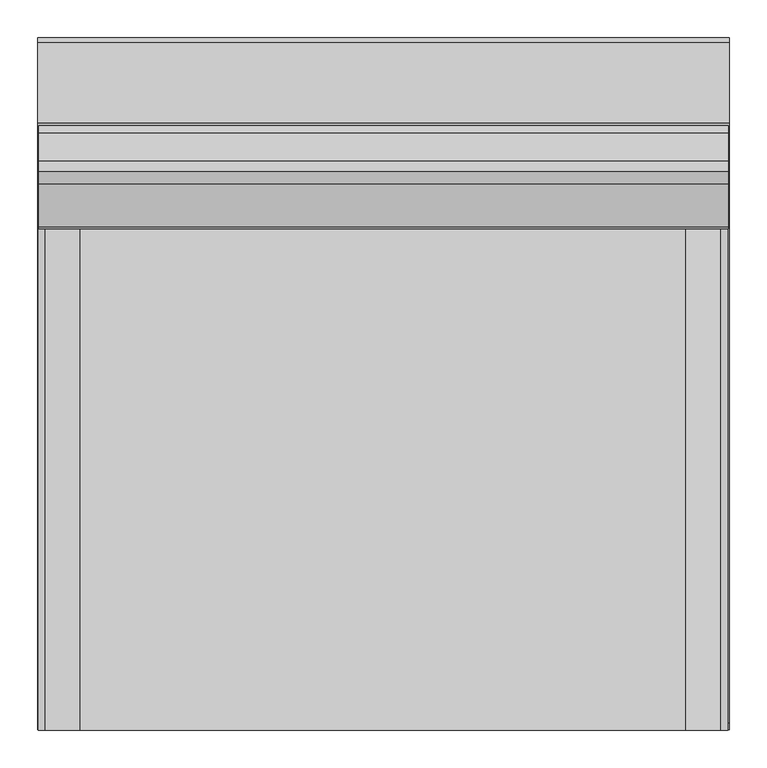
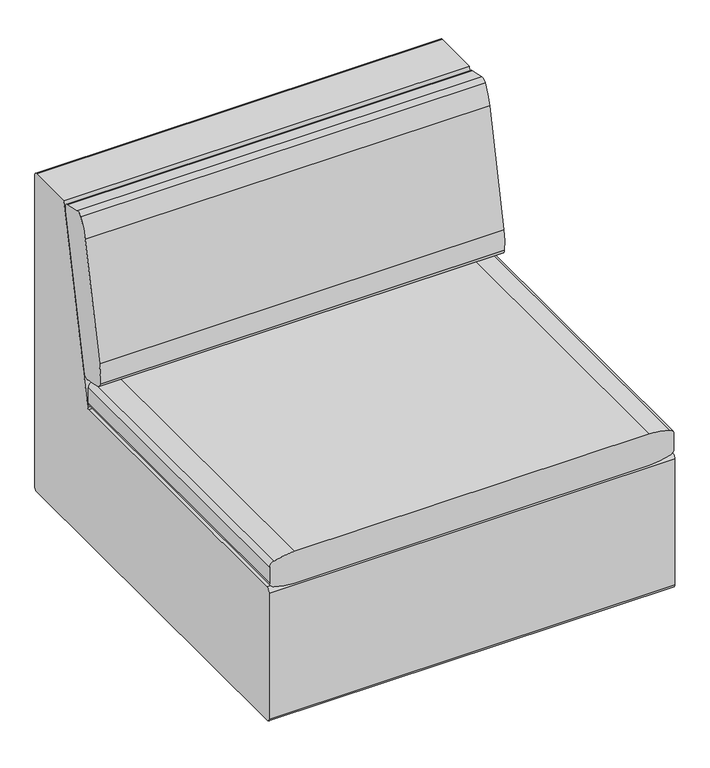
"""IFC4 building model written with IfcOpenShell, lengths in millimetres: furniture geometry."""

from ifc_helpers import new_model, si_unit, point, frame, frame_2d, origin, origin_with_axes, place, context, project, spatial, polyline, circle_curve, trimmed, segment, composite_curve, outline, extrude, source, transform, mapped, element, save


def furniture_2e323e89(model_context):
    return source(origin(), model_context, "Body", "SweptSolid", [
        extrude(outline(composite_curve([segment(polyline([(235.2914577, 417.0346741), (216.287808, 421.1108049)]), True, "CONTINUOUS"), segment(trimmed(circle_curve(frame_2d((218.8946679, 433.264451)), 12.4300777), [point((216.287808, 421.1108049))], [point((206.5294553, 431.9962448))], False, "CARTESIAN"), True, "CONTINUOUS"), segment(trimmed(circle_curve(frame_2d((358.1341723, 447.5451926)), 152.4), [point((206.5294553, 431.9962448))], [point((209.0842447, 479.3237873))], False, "CARTESIAN"), True, "CONTINUOUS"), segment(polyline([(209.0842447, 479.3237873), (265.3910933, 743.4176466)]), True, "CONTINUOUS"), segment(trimmed(circle_curve(frame_2d((414.4410209, 711.6390519)), 152.4), [point((265.3910933, 743.4176466))], [point((282.6105352, 788.10135))], False, "CARTESIAN"), True, "CONTINUOUS"), segment(trimmed(circle_curve(frame_2d((293.3629182, 781.8649176)), 12.4300777), [point((282.6105352, 788.10135))], [point((295.9472763, 794.0233683))], False, "CARTESIAN"), True, "CONTINUOUS"), segment(polyline([(295.9472763, 794.0233683), (333.2147001, 786.1019342)]), True, "CONTINUOUS"), segment(trimmed(circle_curve(frame_2d((330.6303421, 773.9434834)), 12.4300777), [point((333.2147001, 786.1019342))], [point((342.9897183, 775.2673607))], False, "CARTESIAN"), True, "CONTINUOUS"), segment(trimmed(circle_curve(frame_2d((191.4565596, 759.0358541)), 152.4), [point((342.9897183, 775.2673607))], [point((340.545965, 727.4429882))], False, "CARTESIAN"), True, "CONTINUOUS"), segment(polyline([(340.545965, 727.4429882), (284.5681996, 463.2791802)]), True, "CONTINUOUS"), segment(trimmed(circle_curve(frame_2d((135.4787942, 494.8720461)), 152.4), [point((284.5681996, 463.2791802))], [point((267.6522732, 419.004191))], False, "CARTESIAN"), True, "CONTINUOUS"), segment(trimmed(circle_curve(frame_2d((256.8719149, 425.1921394)), 12.4300777), [point((267.6522732, 419.004191))], [point((254.3100675, 413.0289256))], False, "CARTESIAN"), True, "CONTINUOUS"), segment(polyline([(254.3100675, 413.0289256), (235.2914577, 417.0346741)]), True, "CONTINUOUS")], self_intersect=False)), frame((-230.1054732, 0.0, 0.0), z_axis=(1.0, 0.0, 0.0), x_axis=(0.0, 1.0, 0.0)), (0.0, 0.0, 1.0), 917.5750242),
        extrude(outline(composite_curve([segment(trimmed(circle_curve(frame_2d((396.746479, 673.8407713)), 12.7), [point((396.746479, 686.5407713))], [point((408.8813122, 677.5872129))], False, "CARTESIAN"), True, "CONTINUOUS"), segment(trimmed(circle_curve(frame_2d((238.9936482, 625.1370305)), 177.8), [point((408.8813122, 677.5872129))], [point((416.7016841, 630.8548962))], False, "CARTESIAN"), True, "CONTINUOUS"), segment(trimmed(circle_curve(frame_2d((-12112.5507476, 227.7184641)), 12535.7363358), [point((416.7016841, 630.8548962))], [point((416.7016841, -175.4179681))], False, "CARTESIAN"), True, "CONTINUOUS"), segment(trimmed(circle_curve(frame_2d((238.9936482, -169.7001023)), 177.8), [point((416.7016841, -175.4179681))], [point((408.8813122, -222.1502848))], False, "CARTESIAN"), True, "CONTINUOUS"), segment(trimmed(circle_curve(frame_2d((396.746479, -218.4038432)), 12.7), [point((408.8813122, -222.1502848))], [point((396.746479, -231.1038432))], False, "CARTESIAN"), True, "CONTINUOUS"), segment(polyline([(396.746479, -231.1038432), (360.2975302, -231.1038432)]), True, "CONTINUOUS"), segment(trimmed(circle_curve(frame_2d((360.2975302, -218.4038432)), 12.7), [point((360.2975302, -231.1038432))], [point((348.1626971, -222.1502848))], False, "CARTESIAN"), True, "CONTINUOUS"), segment(trimmed(circle_curve(frame_2d((518.050361, -169.7001023)), 177.8), [point((348.1626971, -222.1502848))], [point((340.3423252, -175.4179681))], False, "CARTESIAN"), True, "CONTINUOUS"), segment(trimmed(circle_curve(frame_2d((12869.5947568, 227.7184641)), 12535.7363358), [point((340.3423252, -175.4179681))], [point((340.3423252, 630.8548962))], False, "CARTESIAN"), True, "CONTINUOUS"), segment(trimmed(circle_curve(frame_2d((518.050361, 625.1370305)), 177.8), [point((340.3423252, 630.8548962))], [point((348.1626971, 677.5872129))], False, "CARTESIAN"), True, "CONTINUOUS"), segment(trimmed(circle_curve(frame_2d((360.2975302, 673.8407713)), 12.7), [point((348.1626971, 677.5872129))], [point((360.2975302, 686.5407713))], False, "CARTESIAN"), True, "CONTINUOUS"), segment(polyline([(360.2975302, 686.5407713), (396.746479, 686.5407713)]), True, "CONTINUOUS")], self_intersect=False)), frame((0.0, -460.9236442, 0.0), z_axis=(0.0, 1.0, 0.0), x_axis=(0.0, 0.0, 1.0)), (0.0, 0.0, 1.0), 711.99375),
        extrude(outline(polyline([(-23.0187591, -308.2493524), (-19.8437349, -311.4243494), (-19.8437349, -355.8743524), (-23.0187591, -359.0493494), (-67.4687349, -359.0493494), (-70.6437591, -355.8743524), (-70.6437591, -311.4243494), (-67.4687349, -308.2493524), (-23.0187591, -308.2493524)])), frame((0.0, 0.0, 3.1750001), z_axis=(0.0, 0.0, 1.0), x_axis=(1.0, 0.0, 0.0)), (0.0, 0.0, 1.0), 22.2250007),
        extrude(outline(polyline([(-19.8437349, -305.0743463), (-16.668747, -308.2493524), (-16.668747, -359.0493494), (-19.8437349, -362.2243554), (-70.6437591, -362.2243554), (-73.818747, -359.0493494), (-73.818747, -308.2493524), (-70.6437591, -305.0743463), (-19.8437349, -305.0743463)])), origin_with_axes(), (0.0, 0.0, 1.0), 3.1750001),
        extrude(outline(polyline([(-23.0187591, 358.5006749), (-19.8437349, 355.3256779), (-19.8437349, 310.8756749), (-23.0187591, 307.7006779), (-67.4687349, 307.7006779), (-70.6437591, 310.8756749), (-70.6437591, 355.3256779), (-67.4687349, 358.5006749), (-23.0187591, 358.5006749)])), frame((0.0, 0.0, 3.1750001), z_axis=(0.0, 0.0, 1.0), x_axis=(1.0, 0.0, 0.0)), (0.0, 0.0, 1.0), 22.2250007),
        extrude(outline(polyline([(-19.8437349, 361.6756809), (-16.668747, 358.5006749), (-16.668747, 307.7006779), (-19.8437349, 304.5256718), (-70.6437591, 304.5256718), (-73.818747, 307.7006779), (-73.818747, 358.5006749), (-70.6437591, 361.6756809), (-19.8437349, 361.6756809)])), origin_with_axes(), (0.0, 0.0, 1.0), 3.1750001),
        extrude(outline(polyline([(611.9812258, -308.2493524), (615.15625, -311.4243494), (615.15625, -355.8743524), (611.9812258, -359.0493494), (567.53125, -359.0493494), (564.3562258, -355.8743524), (564.3562258, -311.4243494), (567.53125, -308.2493524), (611.9812258, -308.2493524)])), frame((0.0, 0.0, 3.1750001), z_axis=(0.0, 0.0, 1.0), x_axis=(1.0, 0.0, 0.0)), (0.0, 0.0, 1.0), 22.2250007),
        extrude(outline(polyline([(615.15625, -305.0743463), (618.3312379, -308.2493524), (618.3312379, -359.0493494), (615.15625, -362.2243554), (564.3562258, -362.2243554), (561.1812379, -359.0493494), (561.1812379, -308.2493524), (564.3562258, -305.0743463), (615.15625, -305.0743463)])), origin_with_axes(), (0.0, 0.0, 1.0), 3.1750001),
        extrude(outline(polyline([(611.9812258, 358.5006749), (615.15625, 355.3256779), (615.15625, 310.8756749), (611.9812258, 307.7006779), (567.53125, 307.7006779), (564.3562258, 310.8756749), (564.3562258, 355.3256779), (567.53125, 358.5006749), (611.9812258, 358.5006749)])), frame((0.0, 0.0, 3.1750001), z_axis=(0.0, 0.0, 1.0), x_axis=(1.0, 0.0, 0.0)), (0.0, 0.0, 1.0), 22.2250007),
        extrude(outline(polyline([(615.15625, 361.6756809), (618.3312379, 358.5006749), (618.3312379, 307.7006779), (615.15625, 304.5256718), (564.3562258, 304.5256718), (561.1812379, 307.7006779), (561.1812379, 358.5006749), (564.3562258, 361.6756809), (615.15625, 361.6756809)])), origin_with_axes(), (0.0, 0.0, 1.0), 3.1750001),
        extrude(outline(composite_curve([segment(trimmed(circle_curve(frame_2d((248.4922796, 349.8935536)), 4.8013546), [point((248.4922796, 345.092199))], [point((253.1864451, 348.8846847))], True, "CARTESIAN"), True, "CONTINUOUS"), segment(polyline([(253.1864451, 348.8846847), (347.432053, 787.4), (454.025, 787.4)]), True, "CONTINUOUS"), segment(trimmed(circle_curve(frame_2d((454.025, 781.05)), 6.35), [point((454.025, 787.4))], [point((460.375, 781.05))], False, "CARTESIAN"), True, "CONTINUOUS"), segment(polyline([(460.375, 781.05), (460.375, 30.6404917)]), True, "CONTINUOUS"), segment(trimmed(circle_curve(frame_2d((455.1345091, 30.6404917)), 5.2404909), [point((460.375, 30.6404917))], [point((455.1345091, 25.4000008))], False, "CARTESIAN"), True, "CONTINUOUS"), segment(polyline([(455.1345091, 25.4000008), (-452.6230719, 25.4000008)]), True, "CONTINUOUS"), segment(trimmed(circle_curve(frame_2d((-452.6230719, 33.1519289)), 7.7519281), [point((-452.6230719, 25.4000008))], [point((-460.375, 33.1519289))], False, "CARTESIAN"), True, "CONTINUOUS"), segment(polyline([(-460.375, 33.1519289), (-460.375, 335.5036708)]), True, "CONTINUOUS"), segment(trimmed(circle_curve(frame_2d((-450.7864717, 335.5036708)), 9.5885283), [point((-460.375, 335.5036708))], [point((-450.7864717, 345.092199))], False, "CARTESIAN"), True, "CONTINUOUS"), segment(polyline([(-450.7864717, 345.092199), (248.4922796, 345.092199)]), True, "CONTINUOUS")], self_intersect=False)), frame((-231.775, 0.0, 0.0), z_axis=(1.0, 0.0, 0.0), x_axis=(0.0, 1.0, 0.0)), (0.0, 0.0, 1.0), 920.75),
    ])


if __name__ == "__main__":
    model = new_model("IFC4")
    model_context = context("Model", 3, world=origin())
    ifc_project = project(units=[si_unit("LENGTHUNIT", "METRE", prefix="MILLI")], contexts=[model_context])
    site = spatial("IfcSite", under=ifc_project)
    building = spatial("IfcBuilding", under=site)
    placement = place(None, origin())
    furniture_shape = furniture_2e323e89(model_context)
    element("IfcFurniture", 1, at=placement, inside=building, context=model_context, shape_type="MappedRepresentation", body=[
        mapped(furniture_shape, transform((0.0, 0.0, 0.0), x_axis=(1.0, 0.0, 0.0), y_axis=(0.0, 1.0, 0.0), z_axis=(0.0, 0.0, 1.0))),
    ])
    save(model, "model.ifc")
